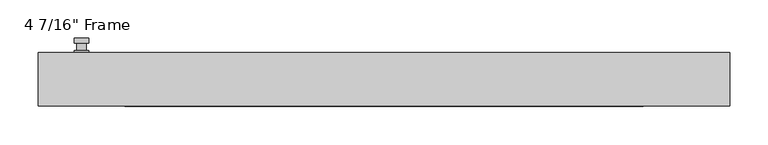
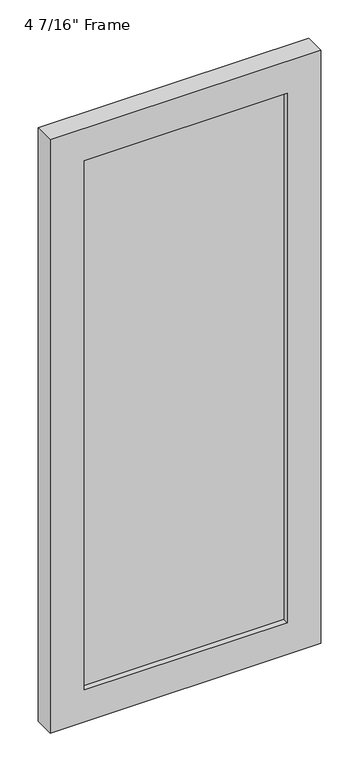
"""IFC4 building model written with IfcOpenShell, lengths in millimetres: plate geometry."""

from ifc_helpers import new_model, si_unit, frame, origin, place, context, project, spatial, polyline, circle_curve, outline, extrude, faceted_brep, source, transform, mapped, element, save
from ifc_brep_helpers import plane_surface, cylinder_surface, advanced_brep


def plate_46d5477b(model_context):
    return source(origin(), model_context, "Body", "SolidModel", [
        advanced_brep(
        [(-385.28625, 34.925, 927.1), (-404.33625, 34.925, 927.1), (-404.33625, 34.925, 901.7), (-385.28625, 34.925, 901.7), (-388.46125, 47.625, 914.4), (-388.46125, 38.1, 914.4), (-401.16125, 38.1, 914.4), (-401.16125, 47.625, 914.4), (-385.28625, 47.625, 914.4), (-404.33625, 47.625, 914.4), (-401.1572144, 47.625, 825.2736467), (-388.4652856, 47.625, 825.2736467), (-385.28625, 53.975, 914.4), (-388.4652856, 53.975, 825.2736467), (-401.1572144, 53.975, 825.2736467), (-404.33625, 53.975, 914.4), (-385.28625, 38.1, 927.1), (-385.28625, 38.1, 901.7), (-404.33625, 38.1, 901.7), (-404.33625, 38.1, 927.1)],
        [
            (0, 1, circle_curve(frame((-394.81125, 34.925, 927.1), z_axis=(0.0, -1.0, 0.0), x_axis=(-1.0, 0.0, 0.0)), 9.525)),
            (1, 2),
            (2, 3, circle_curve(frame((-394.81125, 34.925, 901.7), z_axis=(0.0, -1.0, 0.0), x_axis=(-1.0, 0.0, 0.0)), 9.525)),
            (3, 0),
            (4, 5),
            (5, 6, circle_curve(frame((-394.81125, 38.1, 914.4), z_axis=(0.0, 1.0, 0.0), x_axis=(-1.0, 0.0, 0.0)), 6.35)),
            (6, 7),
            (7, 4, circle_curve(frame((-394.81125, 47.625, 914.4), z_axis=(0.0, -1.0, 0.0), x_axis=(-1.0, 0.0, 0.0)), 6.35)),
            (6, 5, circle_curve(frame((-394.81125, 38.1, 914.4), z_axis=(0.0, 1.0, 0.0), x_axis=(-1.0, 0.0, 0.0)), 6.35)),
            (4, 7, circle_curve(frame((-394.81125, 47.625, 914.4), z_axis=(0.0, -1.0, 0.0), x_axis=(-1.0, 0.0, 0.0)), 6.35)),
            (8, 9, circle_curve(frame((-394.81125, 47.625, 914.4), z_axis=(0.0, -1.0, 0.0), x_axis=(-1.0, 0.0, 0.0)), 9.525)),
            (9, 10),
            (10, 11, circle_curve(frame((-394.81125, 47.625, 825.5), z_axis=(0.0, -1.0, 0.0), x_axis=(-1.0, 0.0, 0.0)), 6.35)),
            (11, 8),
            (12, 13),
            (13, 14, circle_curve(frame((-394.81125, 53.975, 825.5), z_axis=(0.0, 1.0, 0.0), x_axis=(-1.0, 0.0, 0.0)), 6.35)),
            (14, 15),
            (15, 12, circle_curve(frame((-394.81125, 53.975, 914.4), z_axis=(0.0, 1.0, 0.0), x_axis=(-1.0, 0.0, 0.0)), 9.525)),
            (11, 13),
            (12, 8),
            (10, 14),
            (9, 15),
            (16, 17),
            (17, 18, circle_curve(frame((-394.81125, 38.1, 901.7), z_axis=(0.0, 1.0, 0.0), x_axis=(-1.0, 0.0, 0.0)), 9.525)),
            (18, 19),
            (19, 16, circle_curve(frame((-394.81125, 38.1, 927.1), z_axis=(0.0, 1.0, 0.0), x_axis=(-1.0, 0.0, 0.0)), 9.525)),
            (3, 17),
            (16, 0),
            (2, 18),
            (1, 19),
        ],
        [
            plane_surface(frame((-401.16125, 34.925, 914.4), z_axis=(0.0, -1.0, 0.0), x_axis=(0.0, 0.0, 1.0))),
            cylinder_surface(frame((-394.81125, 47.625, 914.4), z_axis=(0.0, -1.0, 0.0), x_axis=(-1.0, 0.0, 0.0)), 6.35),
            plane_surface(frame((-385.28625, 47.625, 914.4), z_axis=(0.0, -1.0000000000000002, 0.0), x_axis=(-0.03564619348186888, 0.0, -0.9993644724975235))),
            plane_surface(frame((-385.28625, 53.975, 914.4), z_axis=(0.0, 1.0000000000000002, 0.0), x_axis=(0.03564619348186888, 0.0, 0.9993644724975235))),
            plane_surface(frame((-385.28625, 47.625, 914.4), z_axis=(0.9993644724975235, 0.0, -0.03564619348186888), x_axis=(0.0, 1.0, 0.0))),
            cylinder_surface(frame((-394.81125, 53.975, 825.5), z_axis=(0.0, -1.0, 0.0), x_axis=(-1.0, 0.0, 0.0)), 6.35),
            plane_surface(frame((-401.1572144, 47.625, 825.2736467), z_axis=(-0.9993644724975228, 0.0, -0.03564619348188612), x_axis=(0.0, 1.0, 0.0))),
            cylinder_surface(frame((-394.81125, 53.975, 914.4), z_axis=(0.0, -1.0, 0.0), x_axis=(-1.0, 0.0, 0.0)), 9.525),
            plane_surface(frame((-385.28625, 38.1, 901.7), z_axis=(0.0, 1.0, 0.0), x_axis=(0.0, 0.0, 1.0))),
            plane_surface(frame((-385.28625, 34.925, 927.1), z_axis=(1.0, 0.0, 0.0), x_axis=(0.0, 1.0, 0.0))),
            cylinder_surface(frame((-394.81125, 38.1, 901.7), z_axis=(0.0, -1.0, 0.0), x_axis=(-1.0, 0.0, 0.0)), 9.525),
            plane_surface(frame((-404.33625, 34.925, 901.7), z_axis=(-1.0, 0.0, 0.0), x_axis=(0.0, 1.0, 0.0))),
            cylinder_surface(frame((-394.81125, 38.1, 927.1), z_axis=(0.0, -1.0, 0.0), x_axis=(-1.0, 0.0, 0.0)), 9.525),
        ],
        [
            (0, [[1, 2, 3, 4]]),
            (1, [[5, 6, 7, 8]]),
            (1, [[-7, 9, -5, 10]]),
            (2, [[11, 12, 13, 14], [-10, -8]]),
            (3, [[15, 16, 17, 18]]),
            (4, [[19, -15, 20, -14]]),
            (5, [[21, -16, -19, -13]]),
            (6, [[22, -17, -21, -12]]),
            (7, [[-20, -18, -22, -11]]),
            (8, [[23, 24, 25, 26], [-9, -6]]),
            (9, [[27, -23, 28, -4]]),
            (10, [[29, -24, -27, -3]]),
            (11, [[30, -25, -29, -2]]),
            (12, [[-28, -26, -30, -1]]),
        ],
    ),
        faceted_brep([(-451.1675, 34.925, 0.0), (451.1675, 34.925, 0.0), (451.1675, -34.925, 0.0), (-451.1675, -34.925, 0.0), (-338.455, -34.925, 1978.025), (-338.455, -34.925, 112.7125), (-338.455, -15.875, 112.7125), (-338.455, -15.875, 1978.025), (351.155, -15.875, 1990.725), (351.155, -15.875, 100.0125), (-351.155, -15.875, 100.0125), (-351.155, -15.875, 1990.725), (338.455, -15.875, 112.7125), (338.455, -15.875, 1978.025), (-351.155, 7.9375, 100.0125), (-351.155, 7.9375, 1990.725), (351.155, 7.9375, 100.0125), (351.155, 7.9375, 1990.725), (-338.455, 7.9375, 1978.025), (338.455, 7.9375, 1978.025), (338.455, 7.9375, 112.7125), (-338.455, 7.9375, 112.7125), (-338.455, 34.925, 112.7125), (-338.455, 34.925, 1978.025), (-451.1675, 34.925, 2090.7375), (451.1675, 34.925, 2090.7375), (338.455, 34.925, 112.7125), (338.455, 34.925, 1978.025), (-451.1675, -34.925, 2090.7375), (451.1675, -34.925, 2090.7375), (338.455, -34.925, 1978.025), (338.455, -34.925, 112.7125)], [[[0, 1, 2, 3]], [[4, 5, 6, 7]], [[8, 9, 10, 11], [7, 6, 12, 13]], [[10, 14, 15, 11]], [[15, 14, 16, 17], [18, 19, 20, 21]], [[18, 21, 22, 23]], [[0, 24, 25, 1], [23, 22, 26, 27]], [[3, 28, 24, 0]], [[2, 29, 28, 3], [4, 30, 31, 5]], [[7, 13, 30, 4]], [[11, 15, 17, 8]], [[18, 23, 27, 19]], [[24, 28, 29, 25]], [[13, 12, 31, 30]], [[16, 9, 8, 17]], [[27, 26, 20, 19]], [[25, 29, 2, 1]], [[22, 21, 20, 26]], [[9, 16, 14, 10]], [[6, 5, 31, 12]]]),
        extrude(outline(polyline([(351.155, 7.9375), (351.155, -15.875), (-351.155, -15.875), (-351.155, 7.9375), (351.155, 7.9375)])), frame((0.0, 0.0, 100.0125), z_axis=(0.0, 0.0, 1.0), x_axis=(1.0, 0.0, 0.0)), (0.0, 0.0, 1.0), 1890.7125),
    ])


if __name__ == "__main__":
    model = new_model("IFC4")
    model_context = context("Model", 3, world=origin())
    ifc_project = project(units=[si_unit("LENGTHUNIT", "METRE", prefix="MILLI")], contexts=[model_context])
    site = spatial("IfcSite", under=ifc_project)
    building = spatial("IfcBuilding", under=site)
    placement = place(None, origin())
    plate_shape = plate_46d5477b(model_context)
    element("IfcPlate", 1, ObjectType="4 7/16\" Frame", at=placement, inside=building, context=model_context, shape_type="MappedRepresentation", body=[
        mapped(plate_shape, transform((0.0, 0.0, 0.0), x_axis=(1.0, 0.0, 0.0), y_axis=(0.0, 1.0, 0.0), z_axis=(0.0, 0.0, 1.0))),
    ])
    save(model, "model.ifc")
